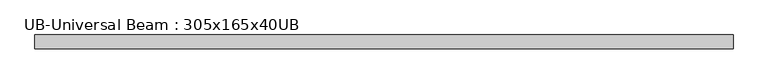
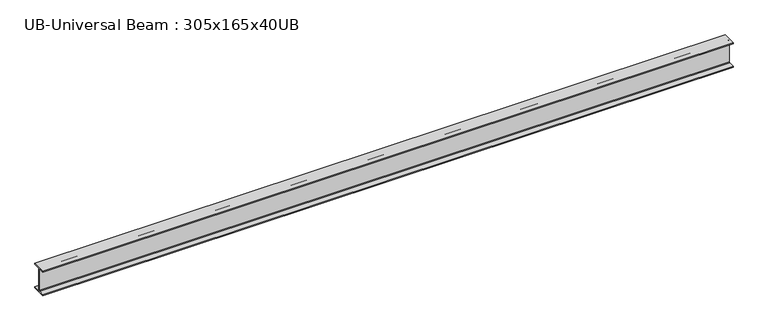
"""IFC4 building model written with IfcOpenShell, lengths in millimetres: beam geometry, UB-Universal Beam : 305x165x40UB."""

import ifcopenshell
import ifcopenshell.guid

model = None  # the IFC model being written
_history = None  # IfcOwnerHistory: only IFC2X3 demands one
_inside = {}  # id of a spatial element -> (the spatial element, [elements in it])
_under = {}  # id of a project, library or spatial element -> (it, [spatial elements below it])
_declared = {}  # id of a project -> (the project, [libraries it declares])
_typed = {}  # id of a type object -> (the type object, [elements of that type])
_made_of = {}  # id of a material, layer set ... -> (it, [elements and type objects made of it])


def new_model(schema):
    """Start an empty IFC model of exactly this schema.

    Asked for "IFC4X3", IfcOpenShell would pick the latest addendum, in which some entities
    have other attributes; the version numbers below select the first issue.
    IFC2X3 requires an IfcOwnerHistory on every rooted entity: one is made here for all.
    """
    global model, _history
    if schema == "IFC4X3":
        model = ifcopenshell.file(schema_version=(4, 3, 0, 0))
    else:
        model = ifcopenshell.file(schema=schema)
    _inside.clear()
    _under.clear()
    _declared.clear()
    _typed.clear()
    _made_of.clear()
    _history = None
    if model.schema == "IFC2X3":
        org = make("IfcOrganization", Name="unknown")
        user = make(
            "IfcPersonAndOrganization",
            ThePerson=make("IfcPerson", FamilyName="unknown"),
            TheOrganization=org,
        )
        app = make(
            "IfcApplication",
            ApplicationDeveloper=org,
            Version="unknown",
            ApplicationFullName="unknown",
            ApplicationIdentifier="unknown",
        )
        _history = make(
            "IfcOwnerHistory",
            OwningUser=user,
            OwningApplication=app,
            ChangeAction="ADDED",
            CreationDate=0,
        )
    return model


def make(cls, **values):
    """One entity of the class cls with the attributes given. An attribute that is None is left unset."""
    return model.create_entity(
        cls, **{name: value for name, value in values.items() if value is not None}
    )


def rooted(cls, **values):
    """An entity with a GlobalId (a new one), such as an element, a storey or a relation."""
    return make(cls, GlobalId=ifcopenshell.guid.new(), OwnerHistory=_history, **values)


def si_unit(unit_type, name, prefix=None):
    """IfcSIUnit, for example si_unit("LENGTHUNIT", "METRE", prefix="MILLI")."""
    return make("IfcSIUnit", UnitType=unit_type, Prefix=prefix, Name=name)


def assignment(units):
    """IfcUnitAssignment: the units of a project."""
    return None if units is None else make("IfcUnitAssignment", Units=units)


def point(xyz):
    """IfcCartesianPoint."""
    return None if xyz is None else make("IfcCartesianPoint", Coordinates=xyz)


def direction(xyz):
    """IfcDirection."""
    return None if xyz is None else make("IfcDirection", DirectionRatios=xyz)


def frame(location, z_axis=None, x_axis=None):
    """IfcAxis2Placement3D, a coordinate frame: its origin and axes. An axis left out is left unset."""
    return make(
        "IfcAxis2Placement3D",
        Location=point(location),
        Axis=direction(z_axis),
        RefDirection=direction(x_axis),
    )


def frame_2d(location, x_axis=None):
    """IfcAxis2Placement2D, a coordinate frame in the plane: its origin and x axis."""
    return make(
        "IfcAxis2Placement2D", Location=point(location), RefDirection=direction(x_axis)
    )


def origin():
    """The frame at (0, 0, 0) with its axes left unset."""
    return frame((0.0, 0.0, 0.0))


def place(relative_to, where):
    """IfcLocalPlacement: puts the frame where relative to a parent placement (None: the world)."""
    return make(
        "IfcLocalPlacement", PlacementRelTo=relative_to, RelativePlacement=where
    )


def context(
    kind, dimensions, precision=None, world=None, true_north=None, identifier=None
):
    """IfcGeometricRepresentationContext, for example the 3D "Model" context."""
    return make(
        "IfcGeometricRepresentationContext",
        ContextIdentifier=identifier,
        ContextType=kind,
        CoordinateSpaceDimension=dimensions,
        Precision=precision,
        WorldCoordinateSystem=world,
        TrueNorth=true_north,
    )


def project(units=None, contexts=None):
    """IfcProject with its units and contexts."""
    return rooted(
        "IfcProject",
        Name="project",
        RepresentationContexts=contexts,
        UnitsInContext=assignment(units),
    )


def spatial(cls, under=None, at=None, **own):
    """A site, building, storey or space (cls), placed at a placement, below another one or the project."""
    s = rooted(cls, ObjectPlacement=at, **own)
    if under is not None:
        _under.setdefault(under.id(), (under, []))[1].append(s)
    return s


def polyline(points):
    """IfcPolyline through the points."""
    return make("IfcPolyline", Points=[point(p) for p in points])


def circle_curve(where, radius):
    """IfcCircle in the frame where."""
    return make("IfcCircle", Position=where, Radius=radius)


def trimmed(basis, trim1, trim2, sense, master):
    """IfcTrimmedCurve: the piece of a basis curve between two trims."""
    return make(
        "IfcTrimmedCurve",
        BasisCurve=basis,
        Trim1=trim1,
        Trim2=trim2,
        SenseAgreement=sense,
        MasterRepresentation=master,
    )


def segment(curve, same_sense, transition):
    """IfcCompositeCurveSegment."""
    return make(
        "IfcCompositeCurveSegment",
        Transition=transition,
        SameSense=same_sense,
        ParentCurve=curve,
    )


def composite_curve(segments, self_intersect=None):
    """IfcCompositeCurve: segments joined end to end."""
    return make("IfcCompositeCurve", Segments=segments, SelfIntersect=self_intersect)


def outline(outer, holes=None, kind="AREA"):
    """IfcArbitraryClosedProfileDef: a profile drawn as a closed curve; with holes, ...WithVoids."""
    if holes is None:
        return make("IfcArbitraryClosedProfileDef", ProfileType=kind, OuterCurve=outer)
    return make(
        "IfcArbitraryProfileDefWithVoids",
        ProfileType=kind,
        OuterCurve=outer,
        InnerCurves=holes,
    )


def extrude(swept, where, along, depth):
    """IfcExtrudedAreaSolid: the profile swept, set in the frame where, extruded along a direction by depth."""
    return make(
        "IfcExtrudedAreaSolid",
        SweptArea=swept,
        Position=where,
        ExtrudedDirection=direction(along),
        Depth=depth,
    )


def shape(context_of_items, identifier, shape_type, items):
    """IfcShapeRepresentation: the items that make up one representation, for example the "Body"."""
    return make(
        "IfcShapeRepresentation",
        ContextOfItems=context_of_items,
        RepresentationIdentifier=identifier,
        RepresentationType=shape_type,
        Items=items,
    )


def source(mapping_origin, context_of_items, identifier, shape_type, items):
    """IfcRepresentationMap: a shape defined once, which mapped items show again and again."""
    return make(
        "IfcRepresentationMap",
        MappingOrigin=mapping_origin,
        MappedRepresentation=shape(context_of_items, identifier, shape_type, items),
    )


def transform(
    local_origin,
    x_axis=None,
    y_axis=None,
    z_axis=None,
    scale=None,
    scale2=None,
    scale3=None,
    uniform=True,
):
    """IfcCartesianTransformationOperator3D, or its non-uniform kind. x_axis, y_axis, z_axis: its Axis1, 2, 3."""
    if uniform:
        return make(
            "IfcCartesianTransformationOperator3D",
            Axis1=direction(x_axis),
            Axis2=direction(y_axis),
            LocalOrigin=point(local_origin),
            Scale=scale,
            Axis3=direction(z_axis),
        )
    return make(
        "IfcCartesianTransformationOperator3DnonUniform",
        Axis1=direction(x_axis),
        Axis2=direction(y_axis),
        LocalOrigin=point(local_origin),
        Scale=scale,
        Axis3=direction(z_axis),
        Scale2=scale2,
        Scale3=scale3,
    )


def mapped(mapping_source, mapping_target):
    """IfcMappedItem: shows the shape of a source again, moved by a transform."""
    return make(
        "IfcMappedItem", MappingSource=mapping_source, MappingTarget=mapping_target
    )


def made_of(thing, what):
    """Note that an element or type object is made of a material, layer set ...; save() writes the relation."""
    if what is not None:
        _made_of.setdefault(what.id(), (what, []))[1].append(thing)
    return thing


def element(
    cls,
    number,
    at=None,
    inside=None,
    cuts=None,
    type_object=None,
    material=None,
    context=None,
    identifier="Body",
    shape_type=None,
    held_by="IfcProductDefinitionShape",
    body=None,
    shapes=None,
    **own,
):
    """One element of the class cls, such as IfcWall. Its Tag is "e" and its number.

    at: its placement. inside: the storey or other place that contains it. cuts: it is an
    opening in that element (IfcRelVoidsElement). A single representation is given by context,
    identifier, shape_type and body (its items); several are given by shapes. held_by: the class
    of the entity that holds the representations. save() writes the other relations.
    """
    e = rooted(cls, Tag="e%d" % number, ObjectPlacement=at, **own)
    if body is not None:
        shapes = [shape(context, identifier, shape_type, body)]
    if shapes is not None:
        e.Representation = make(held_by, Representations=shapes)
    if inside is not None:
        _inside.setdefault(inside.id(), (inside, []))[1].append(e)
    if cuts is not None:
        rooted(
            "IfcRelVoidsElement", RelatingBuildingElement=cuts, RelatedOpeningElement=e
        )
    if type_object is not None:
        _typed.setdefault(type_object.id(), (type_object, []))[1].append(e)
    return made_of(e, material)


def aggregate(whole, parts):
    """IfcRelAggregates: a whole, such as a stair, and the parts it consists of."""
    return rooted("IfcRelAggregates", RelatingObject=whole, RelatedObjects=parts)


def save(model, path):
    """Write the relations noted so far, then the file.

    IfcRelAggregates (storeys below a building ...), IfcRelContainedInSpatialStructure (elements
    in a storey), IfcRelDefinesByType, IfcRelAssociatesMaterial and IfcRelDeclares: one each for
    every whole, place, type object, material and project.
    """
    for whole, parts in _under.values():
        aggregate(whole, parts)
    for where, things in _inside.values():
        rooted(
            "IfcRelContainedInSpatialStructure",
            RelatedElements=things,
            RelatingStructure=where,
        )
    for kind, things in _typed.values():
        rooted("IfcRelDefinesByType", RelatedObjects=things, RelatingType=kind)
    for what, things in _made_of.values():
        rooted("IfcRelAssociatesMaterial", RelatedObjects=things, RelatingMaterial=what)
    for by, libraries in _declared.values():
        rooted("IfcRelDeclares", RelatingContext=by, RelatedDefinitions=libraries)
    model.write(path)


def ub_universal_beam_305x165x40ub_9dea0760(model_context):
    return source(origin(), model_context, "Body", "SweptSolid", [
        extrude(outline(composite_curve([segment(polyline([(82.5, -141.5), (82.5, -151.7), (-82.5, -151.7), (-82.5, -141.5), (-11.9, -141.5)]), True, "CONTINUOUS"), segment(trimmed(circle_curve(frame_2d((-11.9, -132.6)), 8.9), [point((-11.9, -141.5))], [point((-3.0, -132.6))], True, "CARTESIAN"), True, "CONTINUOUS"), segment(polyline([(-3.0, -132.6), (-3.0, 132.6)]), True, "CONTINUOUS"), segment(trimmed(circle_curve(frame_2d((-11.9, 132.6)), 8.9), [point((-3.0, 132.6))], [point((-11.9, 141.5))], True, "CARTESIAN"), True, "CONTINUOUS"), segment(polyline([(-11.9, 141.5), (-82.5, 141.5), (-82.5, 151.7), (82.5, 151.7), (82.5, 141.5), (11.9, 141.5)]), True, "CONTINUOUS"), segment(trimmed(circle_curve(frame_2d((11.9, 132.6)), 8.9), [point((11.9, 141.5))], [point((3.0, 132.6))], True, "CARTESIAN"), True, "CONTINUOUS"), segment(polyline([(3.0, 132.6), (3.0, -132.6)]), True, "CONTINUOUS"), segment(trimmed(circle_curve(frame_2d((11.9, -132.6)), 8.9), [point((3.0, -132.6))], [point((11.9, -141.5))], True, "CARTESIAN"), True, "CONTINUOUS"), segment(polyline([(11.9, -141.5), (82.5, -141.5)]), True, "CONTINUOUS")], self_intersect=False)), frame((-4099.6483057, 0.0, 0.0), z_axis=(1.0, 0.0, 0.0), x_axis=(0.0, 1.0, 0.0)), (0.0, 0.0, 1.0), 8191.7479987),
    ])


if __name__ == "__main__":
    model = new_model("IFC4")
    model_context = context("Model", 3, world=origin())
    ifc_project = project(units=[si_unit("LENGTHUNIT", "METRE", prefix="MILLI")], contexts=[model_context])
    site = spatial("IfcSite", under=ifc_project)
    building = spatial("IfcBuilding", under=site)
    placement = place(None, origin())
    ub_universal_beam_305x165x40ub_shape = ub_universal_beam_305x165x40ub_9dea0760(model_context)
    element("IfcBeam", 1, ObjectType="UB-Universal Beam : 305x165x40UB", at=placement, inside=building, context=model_context, shape_type="MappedRepresentation", body=[
        mapped(ub_universal_beam_305x165x40ub_shape, transform((0.0, 0.0, 0.0), x_axis=(1.0, 0.0, 0.0), y_axis=(0.0, 1.0, 0.0), z_axis=(0.0, 0.0, 1.0))),
    ])
    save(model, "model.ifc")
